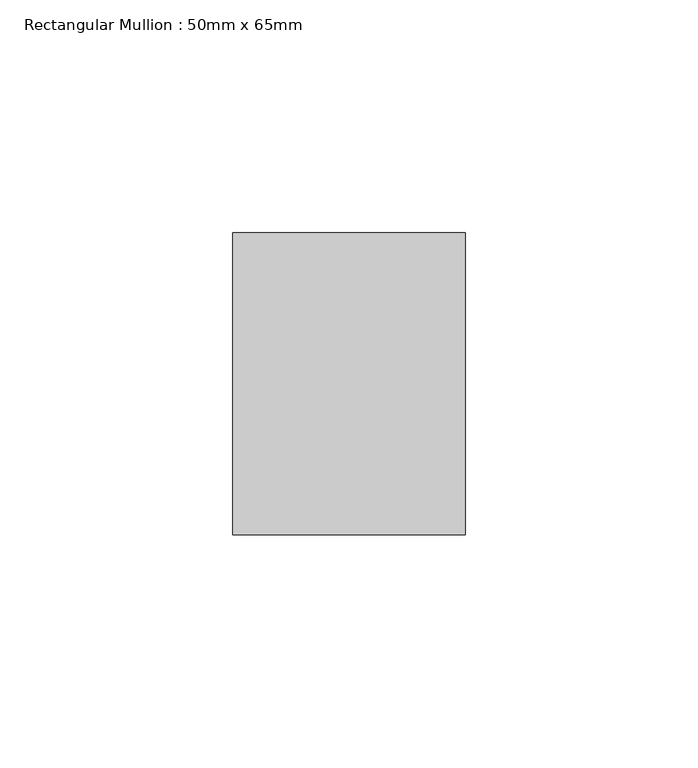
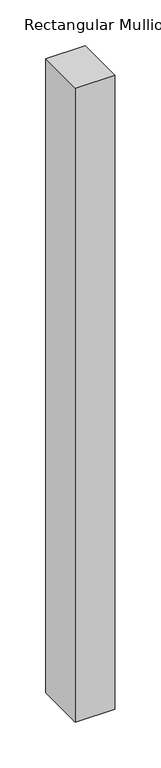
"""IFC4 building model written with IfcOpenShell, lengths in millimetres: member geometry, Rectangular Mullion : 50mm x 65mm."""

from ifc_helpers import new_model, si_unit, frame, origin, place, context, project, spatial, polyline, outline, extrude, source, transform, mapped, element, save


def rectangular_mullion_50mm_x_65mm_92eb0c5c(model_context):
    return source(origin(), model_context, "Body", "SweptSolid", [
        extrude(outline(polyline([(25.0, 32.5), (25.0, -32.5), (-25.0, -32.5), (-25.0, 32.5), (25.0, 32.5)])), frame((0.0, 0.0, -846.7251473), z_axis=(0.0, 0.0, 1.0), x_axis=(1.0, 0.0, 0.0)), (0.0, 0.0, 1.0), 846.7251473),
    ])


if __name__ == "__main__":
    model = new_model("IFC4")
    model_context = context("Model", 3, world=origin())
    ifc_project = project(units=[si_unit("LENGTHUNIT", "METRE", prefix="MILLI")], contexts=[model_context])
    site = spatial("IfcSite", under=ifc_project)
    building = spatial("IfcBuilding", under=site)
    placement = place(None, origin())
    rectangular_mullion_50mm_x_65mm_shape = rectangular_mullion_50mm_x_65mm_92eb0c5c(model_context)
    element("IfcMember", 1, ObjectType="Rectangular Mullion : 50mm x 65mm", at=placement, inside=building, context=model_context, shape_type="MappedRepresentation", body=[
        mapped(rectangular_mullion_50mm_x_65mm_shape, transform((0.0, 0.0, 0.0), x_axis=(1.0, 0.0, 0.0), y_axis=(0.0, 1.0, 0.0), z_axis=(0.0, 0.0, 1.0))),
    ])
    save(model, "model.ifc")
